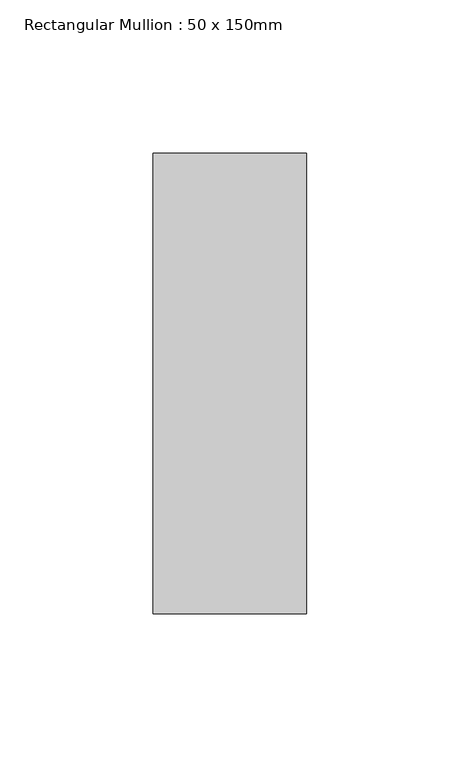
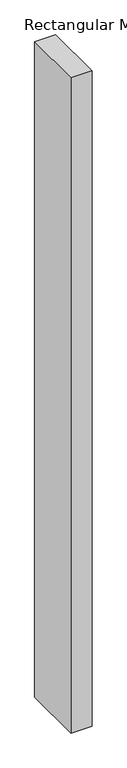
"""IFC4 building model written with IfcOpenShell, lengths in millimetres: member geometry, Rectangular Mullion : 50 x 150mm."""

from ifc_helpers import new_model, si_unit, frame, origin, place, context, project, spatial, polyline, outline, extrude, source, transform, mapped, element, save


def rectangular_mullion_50_x_150mm_764d5396(model_context):
    return source(origin(), model_context, "Body", "SweptSolid", [
        extrude(outline(polyline([(0.0, 75.0), (0.0, -75.0), (-50.0, -75.0), (-50.0, 75.0), (0.0, 75.0)])), frame((0.0, 0.0, -1652.5538813), z_axis=(0.0, 0.0, 1.0), x_axis=(1.0, 0.0, 0.0)), (0.0, 0.0, 1.0), 1652.5538813),
    ])


if __name__ == "__main__":
    model = new_model("IFC4")
    model_context = context("Model", 3, world=origin())
    ifc_project = project(units=[si_unit("LENGTHUNIT", "METRE", prefix="MILLI")], contexts=[model_context])
    site = spatial("IfcSite", under=ifc_project)
    building = spatial("IfcBuilding", under=site)
    placement = place(None, origin())
    rectangular_mullion_50_x_150mm_shape = rectangular_mullion_50_x_150mm_764d5396(model_context)
    element("IfcMember", 1, ObjectType="Rectangular Mullion : 50 x 150mm", at=placement, inside=building, context=model_context, shape_type="MappedRepresentation", body=[
        mapped(rectangular_mullion_50_x_150mm_shape, transform((0.0, 0.0, 0.0), x_axis=(1.0, 0.0, 0.0), y_axis=(0.0, 1.0, 0.0), z_axis=(0.0, 0.0, 1.0))),
    ])
    save(model, "model.ifc")
